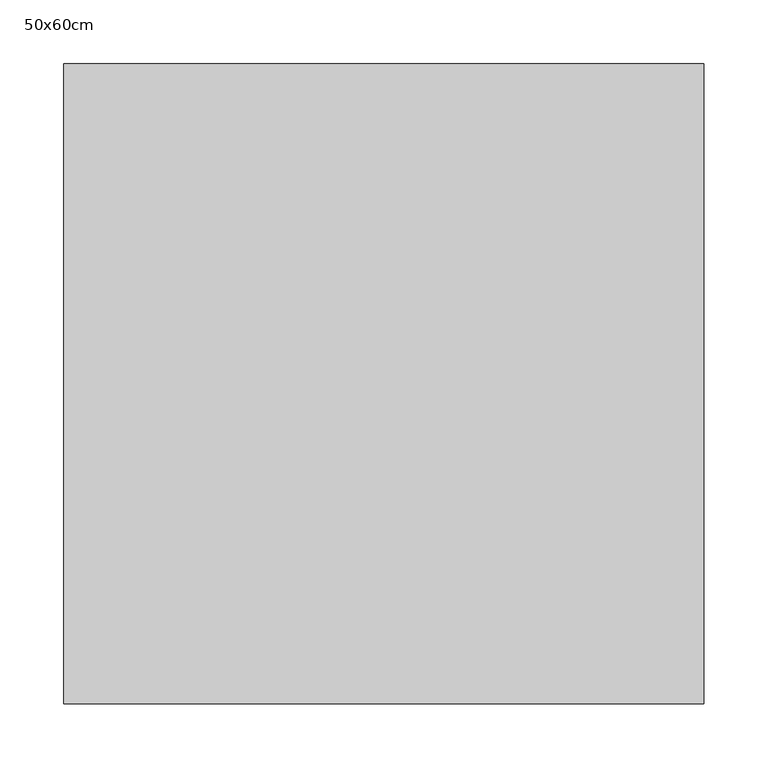
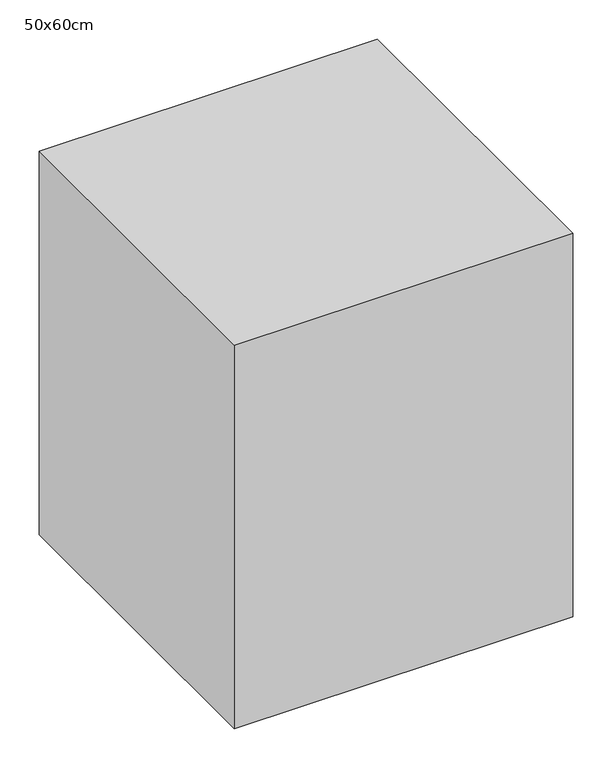
"""IFC4 building model written with IfcOpenShell, lengths in millimetres: proxy geometry, 50x60cm."""

from ifc_helpers import new_model, si_unit, frame, origin, place, context, project, spatial, polyline, outline, extrude, source, transform, mapped, element, save


def proxy_50x60cm_c4c9dbbf(model_context):
    return source(origin(), model_context, "Body", "SweptSolid", [
        extrude(outline(polyline([(500.0, 500.0), (500.0, 0.0), (0.0, 0.0), (0.0, 500.0), (500.0, 500.0)])), frame((0.0, 0.0, 100.0), z_axis=(0.0, 0.0, 1.0), x_axis=(1.0, 0.0, 0.0)), (0.0, 0.0, 1.0), 600.0),
    ])


if __name__ == "__main__":
    model = new_model("IFC4")
    model_context = context("Model", 3, world=origin())
    ifc_project = project(units=[si_unit("LENGTHUNIT", "METRE", prefix="MILLI")], contexts=[model_context])
    site = spatial("IfcSite", under=ifc_project)
    building = spatial("IfcBuilding", under=site)
    placement = place(None, origin())
    proxy_50x60cm_shape = proxy_50x60cm_c4c9dbbf(model_context)
    element("IfcBuildingElementProxy", 1, Name="50x60cm", ObjectType="50x60cm", at=placement, inside=building, context=model_context, shape_type="MappedRepresentation", body=[
        mapped(proxy_50x60cm_shape, transform((0.0, 0.0, 0.0), x_axis=(1.0, 0.0, 0.0), y_axis=(0.0, 1.0, 0.0), z_axis=(0.0, 0.0, 1.0))),
    ])
    save(model, "model.ifc")
